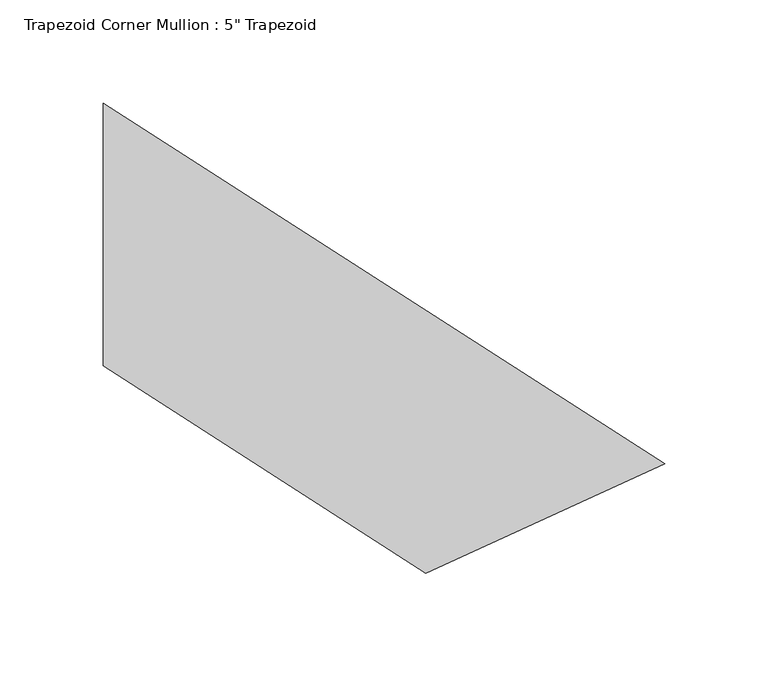
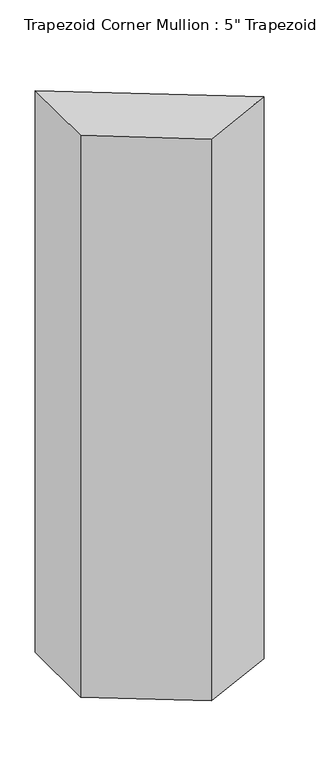
"""IFC4 building model written with IfcOpenShell, lengths in millimetres: member geometry."""

from ifc_helpers import new_model, si_unit, frame, origin, place, context, project, spatial, polyline, outline, extrude, source, transform, mapped, element, save


def member_284e99ff(model_context):
    return source(origin(), model_context, "Body", "SweptSolid", [
        extrude(outline(polyline([(120.5478383, -110.8114616), (5.0670651, -163.6621098), (-150.9261784, -63.5), (-150.9261784, 63.5), (120.5478383, -110.8114616)])), frame((0.0, 0.0, -966.6738216), z_axis=(0.0, 0.0, 1.0), x_axis=(1.0, 0.0, 0.0)), (0.0, 0.0, 1.0), 966.6738216),
    ])


if __name__ == "__main__":
    model = new_model("IFC4")
    model_context = context("Model", 3, world=origin())
    ifc_project = project(units=[si_unit("LENGTHUNIT", "METRE", prefix="MILLI")], contexts=[model_context])
    site = spatial("IfcSite", under=ifc_project)
    building = spatial("IfcBuilding", under=site)
    placement = place(None, origin())
    member_shape = member_284e99ff(model_context)
    element("IfcMember", 1, ObjectType="Trapezoid Corner Mullion : 5\" Trapezoid", at=placement, inside=building, context=model_context, shape_type="MappedRepresentation", body=[
        mapped(member_shape, transform((0.0, 0.0, 0.0), x_axis=(1.0, 0.0, 0.0), y_axis=(0.0, 1.0, 0.0), z_axis=(0.0, 0.0, 1.0))),
    ])
    save(model, "model.ifc")
